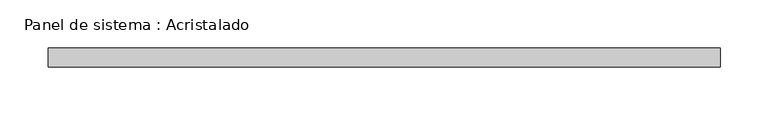
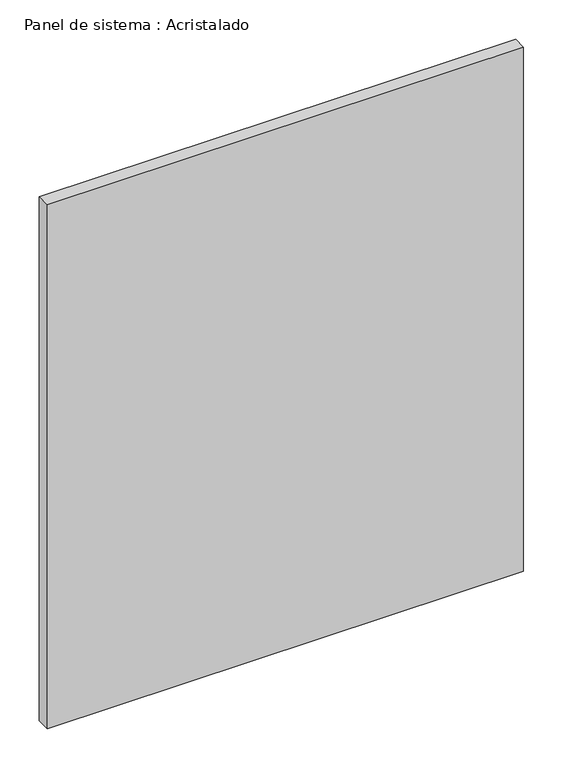
"""IFC4 building model written with IfcOpenShell, lengths in millimetres: plate geometry, Panel de sistema : Acristalado."""

import ifcopenshell
import ifcopenshell.guid

model = None  # the IFC model being written
_history = None  # IfcOwnerHistory: only IFC2X3 demands one
_inside = {}  # id of a spatial element -> (the spatial element, [elements in it])
_under = {}  # id of a project, library or spatial element -> (it, [spatial elements below it])
_declared = {}  # id of a project -> (the project, [libraries it declares])
_typed = {}  # id of a type object -> (the type object, [elements of that type])
_made_of = {}  # id of a material, layer set ... -> (it, [elements and type objects made of it])


def new_model(schema):
    """Start an empty IFC model of exactly this schema.

    Asked for "IFC4X3", IfcOpenShell would pick the latest addendum, in which some entities
    have other attributes; the version numbers below select the first issue.
    IFC2X3 requires an IfcOwnerHistory on every rooted entity: one is made here for all.
    """
    global model, _history
    if schema == "IFC4X3":
        model = ifcopenshell.file(schema_version=(4, 3, 0, 0))
    else:
        model = ifcopenshell.file(schema=schema)
    _inside.clear()
    _under.clear()
    _declared.clear()
    _typed.clear()
    _made_of.clear()
    _history = None
    if model.schema == "IFC2X3":
        org = make("IfcOrganization", Name="unknown")
        user = make(
            "IfcPersonAndOrganization",
            ThePerson=make("IfcPerson", FamilyName="unknown"),
            TheOrganization=org,
        )
        app = make(
            "IfcApplication",
            ApplicationDeveloper=org,
            Version="unknown",
            ApplicationFullName="unknown",
            ApplicationIdentifier="unknown",
        )
        _history = make(
            "IfcOwnerHistory",
            OwningUser=user,
            OwningApplication=app,
            ChangeAction="ADDED",
            CreationDate=0,
        )
    return model


def make(cls, **values):
    """One entity of the class cls with the attributes given. An attribute that is None is left unset."""
    return model.create_entity(
        cls, **{name: value for name, value in values.items() if value is not None}
    )


def rooted(cls, **values):
    """An entity with a GlobalId (a new one), such as an element, a storey or a relation."""
    return make(cls, GlobalId=ifcopenshell.guid.new(), OwnerHistory=_history, **values)


def si_unit(unit_type, name, prefix=None):
    """IfcSIUnit, for example si_unit("LENGTHUNIT", "METRE", prefix="MILLI")."""
    return make("IfcSIUnit", UnitType=unit_type, Prefix=prefix, Name=name)


def assignment(units):
    """IfcUnitAssignment: the units of a project."""
    return None if units is None else make("IfcUnitAssignment", Units=units)


def point(xyz):
    """IfcCartesianPoint."""
    return None if xyz is None else make("IfcCartesianPoint", Coordinates=xyz)


def direction(xyz):
    """IfcDirection."""
    return None if xyz is None else make("IfcDirection", DirectionRatios=xyz)


def frame(location, z_axis=None, x_axis=None):
    """IfcAxis2Placement3D, a coordinate frame: its origin and axes. An axis left out is left unset."""
    return make(
        "IfcAxis2Placement3D",
        Location=point(location),
        Axis=direction(z_axis),
        RefDirection=direction(x_axis),
    )


def origin():
    """The frame at (0, 0, 0) with its axes left unset."""
    return frame((0.0, 0.0, 0.0))


def origin_with_axes():
    """The frame at (0, 0, 0) with the z axis (0, 0, 1) and the x axis (1, 0, 0) written out."""
    return frame((0.0, 0.0, 0.0), z_axis=(0.0, 0.0, 1.0), x_axis=(1.0, 0.0, 0.0))


def place(relative_to, where):
    """IfcLocalPlacement: puts the frame where relative to a parent placement (None: the world)."""
    return make(
        "IfcLocalPlacement", PlacementRelTo=relative_to, RelativePlacement=where
    )


def context(
    kind, dimensions, precision=None, world=None, true_north=None, identifier=None
):
    """IfcGeometricRepresentationContext, for example the 3D "Model" context."""
    return make(
        "IfcGeometricRepresentationContext",
        ContextIdentifier=identifier,
        ContextType=kind,
        CoordinateSpaceDimension=dimensions,
        Precision=precision,
        WorldCoordinateSystem=world,
        TrueNorth=true_north,
    )


def project(units=None, contexts=None):
    """IfcProject with its units and contexts."""
    return rooted(
        "IfcProject",
        Name="project",
        RepresentationContexts=contexts,
        UnitsInContext=assignment(units),
    )


def spatial(cls, under=None, at=None, **own):
    """A site, building, storey or space (cls), placed at a placement, below another one or the project."""
    s = rooted(cls, ObjectPlacement=at, **own)
    if under is not None:
        _under.setdefault(under.id(), (under, []))[1].append(s)
    return s


def polyline(points):
    """IfcPolyline through the points."""
    return make("IfcPolyline", Points=[point(p) for p in points])


def outline(outer, holes=None, kind="AREA"):
    """IfcArbitraryClosedProfileDef: a profile drawn as a closed curve; with holes, ...WithVoids."""
    if holes is None:
        return make("IfcArbitraryClosedProfileDef", ProfileType=kind, OuterCurve=outer)
    return make(
        "IfcArbitraryProfileDefWithVoids",
        ProfileType=kind,
        OuterCurve=outer,
        InnerCurves=holes,
    )


def extrude(swept, where, along, depth):
    """IfcExtrudedAreaSolid: the profile swept, set in the frame where, extruded along a direction by depth."""
    return make(
        "IfcExtrudedAreaSolid",
        SweptArea=swept,
        Position=where,
        ExtrudedDirection=direction(along),
        Depth=depth,
    )


def shape(context_of_items, identifier, shape_type, items):
    """IfcShapeRepresentation: the items that make up one representation, for example the "Body"."""
    return make(
        "IfcShapeRepresentation",
        ContextOfItems=context_of_items,
        RepresentationIdentifier=identifier,
        RepresentationType=shape_type,
        Items=items,
    )


def source(mapping_origin, context_of_items, identifier, shape_type, items):
    """IfcRepresentationMap: a shape defined once, which mapped items show again and again."""
    return make(
        "IfcRepresentationMap",
        MappingOrigin=mapping_origin,
        MappedRepresentation=shape(context_of_items, identifier, shape_type, items),
    )


def transform(
    local_origin,
    x_axis=None,
    y_axis=None,
    z_axis=None,
    scale=None,
    scale2=None,
    scale3=None,
    uniform=True,
):
    """IfcCartesianTransformationOperator3D, or its non-uniform kind. x_axis, y_axis, z_axis: its Axis1, 2, 3."""
    if uniform:
        return make(
            "IfcCartesianTransformationOperator3D",
            Axis1=direction(x_axis),
            Axis2=direction(y_axis),
            LocalOrigin=point(local_origin),
            Scale=scale,
            Axis3=direction(z_axis),
        )
    return make(
        "IfcCartesianTransformationOperator3DnonUniform",
        Axis1=direction(x_axis),
        Axis2=direction(y_axis),
        LocalOrigin=point(local_origin),
        Scale=scale,
        Axis3=direction(z_axis),
        Scale2=scale2,
        Scale3=scale3,
    )


def mapped(mapping_source, mapping_target):
    """IfcMappedItem: shows the shape of a source again, moved by a transform."""
    return make(
        "IfcMappedItem", MappingSource=mapping_source, MappingTarget=mapping_target
    )


def made_of(thing, what):
    """Note that an element or type object is made of a material, layer set ...; save() writes the relation."""
    if what is not None:
        _made_of.setdefault(what.id(), (what, []))[1].append(thing)
    return thing


def element(
    cls,
    number,
    at=None,
    inside=None,
    cuts=None,
    type_object=None,
    material=None,
    context=None,
    identifier="Body",
    shape_type=None,
    held_by="IfcProductDefinitionShape",
    body=None,
    shapes=None,
    **own,
):
    """One element of the class cls, such as IfcWall. Its Tag is "e" and its number.

    at: its placement. inside: the storey or other place that contains it. cuts: it is an
    opening in that element (IfcRelVoidsElement). A single representation is given by context,
    identifier, shape_type and body (its items); several are given by shapes. held_by: the class
    of the entity that holds the representations. save() writes the other relations.
    """
    e = rooted(cls, Tag="e%d" % number, ObjectPlacement=at, **own)
    if body is not None:
        shapes = [shape(context, identifier, shape_type, body)]
    if shapes is not None:
        e.Representation = make(held_by, Representations=shapes)
    if inside is not None:
        _inside.setdefault(inside.id(), (inside, []))[1].append(e)
    if cuts is not None:
        rooted(
            "IfcRelVoidsElement", RelatingBuildingElement=cuts, RelatedOpeningElement=e
        )
    if type_object is not None:
        _typed.setdefault(type_object.id(), (type_object, []))[1].append(e)
    return made_of(e, material)


def aggregate(whole, parts):
    """IfcRelAggregates: a whole, such as a stair, and the parts it consists of."""
    return rooted("IfcRelAggregates", RelatingObject=whole, RelatedObjects=parts)


def save(model, path):
    """Write the relations noted so far, then the file.

    IfcRelAggregates (storeys below a building ...), IfcRelContainedInSpatialStructure (elements
    in a storey), IfcRelDefinesByType, IfcRelAssociatesMaterial and IfcRelDeclares: one each for
    every whole, place, type object, material and project.
    """
    for whole, parts in _under.values():
        aggregate(whole, parts)
    for where, things in _inside.values():
        rooted(
            "IfcRelContainedInSpatialStructure",
            RelatedElements=things,
            RelatingStructure=where,
        )
    for kind, things in _typed.values():
        rooted("IfcRelDefinesByType", RelatedObjects=things, RelatingType=kind)
    for what, things in _made_of.values():
        rooted("IfcRelAssociatesMaterial", RelatedObjects=things, RelatingMaterial=what)
    for by, libraries in _declared.values():
        rooted("IfcRelDeclares", RelatingContext=by, RelatedDefinitions=libraries)
    model.write(path)


def panel_de_sistema_acristalado_61ccfcf4(model_context):
    return source(origin(), model_context, "Body", "SweptSolid", [
        extrude(outline(polyline([(350.0, -10.0), (-350.0, -10.0), (-350.0, 10.0), (350.0, 10.0), (350.0, -10.0)])), origin_with_axes(), (0.0, 0.0, 1.0), 814.1495115),
    ])


if __name__ == "__main__":
    model = new_model("IFC4")
    model_context = context("Model", 3, world=origin())
    ifc_project = project(units=[si_unit("LENGTHUNIT", "METRE", prefix="MILLI")], contexts=[model_context])
    site = spatial("IfcSite", under=ifc_project)
    building = spatial("IfcBuilding", under=site)
    placement = place(None, origin())
    panel_de_sistema_acristalado_shape = panel_de_sistema_acristalado_61ccfcf4(model_context)
    element("IfcPlate", 1, ObjectType="Panel de sistema : Acristalado", at=placement, inside=building, context=model_context, shape_type="MappedRepresentation", body=[
        mapped(panel_de_sistema_acristalado_shape, transform((0.0, 0.0, 0.0), x_axis=(1.0, 0.0, 0.0), y_axis=(0.0, 1.0, 0.0), z_axis=(0.0, 0.0, 1.0))),
    ])
    save(model, "model.ifc")
